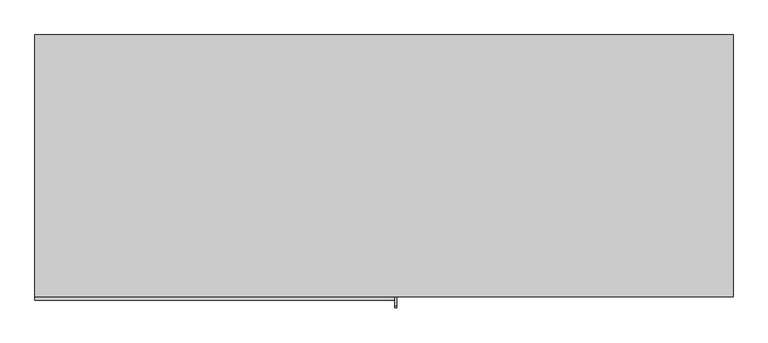
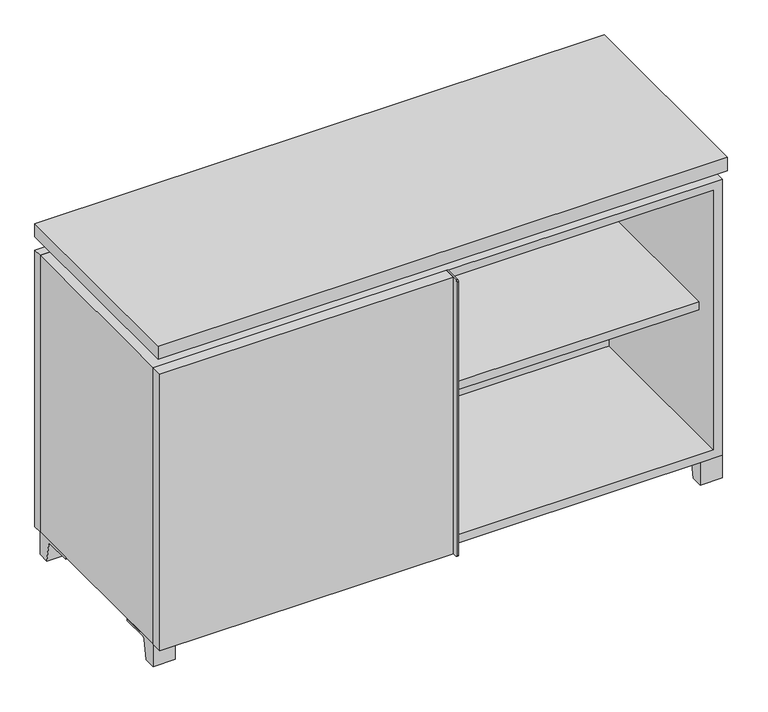
"""IFC4 building model written with IfcOpenShell, lengths in millimetres: furniture geometry."""

from ifc_helpers import new_model, si_unit, point, frame, frame_2d, origin, place, context, project, spatial, polyline, circle_curve, trimmed, segment, composite_curve, outline, extrude, faceted_brep, source, transform, mapped, element, save


def furniture_d1c3057b(model_context):
    return source(origin(), model_context, "Body", "SolidModel", [
        extrude(outline(polyline([(9.5319453, 241.3), (590.5569453, 241.3), (590.5569453, -92.075), (9.5319453, -92.075), (9.5319453, 241.3)])), frame((0.0, 0.0, 354.0125), z_axis=(0.0, 0.0, 1.0), x_axis=(1.0, 0.0, 0.0)), (0.0, 0.0, 1.0), 19.05),
        extrude(outline(polyline([(-9.5041641, 241.3), (-9.5041641, -92.075), (-590.5291641, -92.075), (-590.5291641, 241.3), (-9.5041641, 241.3)])), frame((0.0, 0.0, 354.0125), z_axis=(0.0, 0.0, 1.0), x_axis=(1.0, 0.0, 0.0)), (0.0, 0.0, 1.0), 19.05),
        extrude(outline(polyline([(609.6138906, 292.1), (609.6138906, -165.1), (-609.5861094, -165.1), (-609.5861094, 292.1), (609.6138906, 292.1)])), frame((0.0, 0.0, 706.4375), z_axis=(0.0, 0.0, 1.0), x_axis=(1.0, 0.0, 0.0)), (0.0, 0.0, 1.0), 30.1625),
        extrude(outline(composite_curve([segment(polyline([(-146.05, 676.275), (-146.05, 50.8), (-180.975, 50.8)]), True, "CONTINUOUS"), segment(trimmed(circle_curve(frame_2d((-180.975, 53.975)), 3.175), [point((-180.975, 50.8))], [point((-184.15, 53.975))], False, "CARTESIAN"), True, "CONTINUOUS"), segment(polyline([(-184.15, 53.975), (-184.15, 673.1)]), True, "CONTINUOUS"), segment(trimmed(circle_curve(frame_2d((-180.975, 673.1)), 3.175), [point((-184.15, 673.1))], [point((-180.975, 676.275))], False, "CARTESIAN"), True, "CONTINUOUS"), segment(polyline([(-180.975, 676.275), (-146.05, 676.275)]), True, "CONTINUOUS")], self_intersect=False)), frame((19.0638906, 0.0, 0.0), z_axis=(1.0, 0.0, 0.0), x_axis=(0.0, 1.0, 0.0)), (0.0, 0.0, 1.0), 3.175),
        extrude(outline(polyline([(-609.5861094, -146.05), (19.0638906, -146.05), (19.0638906, -171.45), (-609.5861094, -171.45), (-609.5861094, -146.05)])), frame((0.0, 0.0, 50.8), z_axis=(0.0, 0.0, 1.0), x_axis=(1.0, 0.0, 0.0)), (0.0, 0.0, 1.0), 625.475),
        extrude(outline(composite_curve([segment(polyline([(-120.6500136, 0.0), (-146.05, 0.0), (-146.05, 50.8), (-50.8, 50.8), (-50.8, 46.0213321), (-107.6005345, 46.0213321)]), True, "CONTINUOUS"), segment(trimmed(circle_curve(frame_2d((-107.6005345, 39.6713321)), 6.35), [point((-107.6005345, 46.0213321))], [point((-113.8641359, 40.7152656))], True, "CARTESIAN"), True, "CONTINUOUS"), segment(polyline([(-113.8641359, 40.7152656), (-120.6500136, 0.0)]), True, "CONTINUOUS")], self_intersect=False)), frame((561.9888906, 0.0, 0.0), z_axis=(1.0, 0.0, 0.0), x_axis=(0.0, 1.0, 0.0)), (0.0, 0.0, 1.0), 47.625),
        extrude(outline(composite_curve([segment(polyline([(247.6500136, 0.0), (240.8641359, 40.7152656)]), True, "CONTINUOUS"), segment(trimmed(circle_curve(frame_2d((234.6005345, 39.6713321)), 6.35), [point((240.8641359, 40.7152656))], [point((234.6005345, 46.0213321))], True, "CARTESIAN"), True, "CONTINUOUS"), segment(polyline([(234.6005345, 46.0213321), (177.8, 46.0213321), (177.8, 50.8), (273.05, 50.8), (273.05, 0.0), (247.6500136, 0.0)]), True, "CONTINUOUS")], self_intersect=False)), frame((561.9888906, 0.0, 0.0), z_axis=(1.0, 0.0, 0.0), x_axis=(0.0, 1.0, 0.0)), (0.0, 0.0, 1.0), 47.625),
        extrude(outline(composite_curve([segment(polyline([(-120.6500136, 0.0), (-146.05, 0.0), (-146.05, 50.8), (-50.8, 50.8), (-50.8, 46.0213321), (-107.6005345, 46.0213321)]), True, "CONTINUOUS"), segment(trimmed(circle_curve(frame_2d((-107.6005345, 39.6713321)), 6.35), [point((-107.6005345, 46.0213321))], [point((-113.8641359, 40.7152656))], True, "CARTESIAN"), True, "CONTINUOUS"), segment(polyline([(-113.8641359, 40.7152656), (-120.6500136, 0.0)]), True, "CONTINUOUS")], self_intersect=False)), frame((-609.5861094, 0.0, 0.0), z_axis=(1.0, 0.0, 0.0), x_axis=(0.0, 1.0, 0.0)), (0.0, 0.0, 1.0), 47.625),
        extrude(outline(composite_curve([segment(polyline([(247.6500136, 0.0), (240.8641359, 40.7152656)]), True, "CONTINUOUS"), segment(trimmed(circle_curve(frame_2d((234.6005345, 39.6713321)), 6.35), [point((240.8641359, 40.7152656))], [point((234.6005345, 46.0213321))], True, "CARTESIAN"), True, "CONTINUOUS"), segment(polyline([(234.6005345, 46.0213321), (177.8, 46.0213321), (177.8, 50.8), (273.05, 50.8), (273.05, 0.0), (247.6500136, 0.0)]), True, "CONTINUOUS")], self_intersect=False)), frame((-609.5861094, 0.0, 0.0), z_axis=(1.0, 0.0, 0.0), x_axis=(0.0, 1.0, 0.0)), (0.0, 0.0, 1.0), 47.625),
        faceted_brep([(7.9513906, -120.65, 706.4375), (7.9513906, -120.65, 676.275), (7.9513906, 53.975, 676.275), (7.9513906, 53.975, 706.4375), (7.9513906, 247.65, 676.275), (7.9513906, 247.65, 706.4375), (7.9513906, 73.025, 706.4375), (7.9513906, 73.025, 676.275), (-7.9236094, 247.65, 706.4375), (-7.9236094, 247.65, 676.275), (-7.9236094, 73.025, 676.275), (-7.9236094, 73.025, 706.4375), (-7.9236094, -120.65, 676.275), (-7.9236094, -120.65, 706.4375), (-7.9236094, 53.975, 706.4375), (-7.9236094, 53.975, 676.275), (-568.2833281, 73.025, 706.4375), (-568.3041641, 247.65, 706.4375), (-584.1791641, 247.65, 706.4375), (-584.1791641, -120.65, 706.4375), (-568.3041641, -120.65, 706.4375), (-568.3041641, 53.975, 706.4375), (568.3111094, 53.975, 706.4375), (568.3111094, -120.65, 706.4375), (584.1861094, -120.65, 706.4375), (584.1861094, 247.65, 706.4375), (568.3111094, 247.65, 706.4375), (568.3111094, 73.025, 706.4375), (-568.2833281, 53.975, 676.275), (-568.3041641, -120.65, 676.275), (-584.1791641, -120.65, 676.275), (-584.1791641, 247.65, 676.275), (-568.3041641, 247.65, 676.275), (-568.3041641, 73.025, 676.275), (568.3111094, 73.025, 676.275), (568.3111094, 247.65, 676.275), (584.1861094, 247.65, 676.275), (584.1861094, -120.65, 676.275), (568.3111094, -120.65, 676.275), (568.3111094, 53.975, 676.275)], [[[0, 1, 2, 3]], [[4, 5, 6, 7]], [[8, 9, 10, 11]], [[12, 13, 14, 15]], [[5, 8, 11, 16, 17, 18, 19, 20, 21, 14, 13, 0, 3, 22, 23, 24, 25, 26, 27, 6]], [[1, 12, 15, 28, 29, 30, 31, 32, 33, 10, 9, 4, 7, 34, 35, 36, 37, 38, 39, 2]], [[5, 4, 9, 8]], [[1, 0, 13, 12]], [[6, 27, 34, 7]], [[22, 3, 2, 39]], [[20, 29, 28, 21]], [[32, 17, 16, 33]], [[18, 31, 30, 19]], [[29, 20, 19, 30]], [[17, 32, 31, 18]], [[26, 35, 34, 27]], [[38, 23, 22, 39]], [[25, 24, 37, 36]], [[23, 38, 37, 24]], [[35, 26, 25, 36]], [[16, 11, 10, 33]], [[14, 21, 28, 15]]]),
        extrude(outline(polyline([(9.5388906, 241.3), (9.5388906, -95.25), (-9.5111094, -95.25), (-9.5111094, 241.3), (9.5388906, 241.3)])), frame((0.0, 0.0, 69.85), z_axis=(0.0, 0.0, 1.0), x_axis=(1.0, 0.0, 0.0)), (0.0, 0.0, 1.0), 587.375),
        extrude(outline(polyline([(15.8888906, -88.9), (15.8888906, -146.05), (-9.5111094, -146.05), (-9.5111094, -120.65), (3.1888906, -120.65), (3.1888906, -88.9), (15.8888906, -88.9)])), frame((0.0, 0.0, 69.85), z_axis=(0.0, 0.0, 1.0), x_axis=(1.0, 0.0, 0.0)), (0.0, 0.0, 1.0), 587.375),
        extrude(outline(polyline([(609.6138906, 273.05), (-609.5861094, 273.05), (-609.5861094, 292.1), (609.6138906, 292.1), (609.6138906, 273.05)])), frame((0.0, 0.0, 50.8), z_axis=(0.0, 0.0, 1.0), x_axis=(1.0, 0.0, 0.0)), (0.0, 0.0, 1.0), 625.475),
        extrude(outline(polyline([(50.8, -609.5861094), (50.8, 609.6), (676.275, 609.6), (676.275, -609.5861094), (50.8, -609.5861094)]), holes=[polyline([(69.85, -590.5361094), (657.225, -590.5361094), (657.225, 590.5361094), (69.85, 590.5361094), (69.85, -590.5361094)])]), frame((0.0, -146.05, 0.0), z_axis=(0.0, 1.0, 0.0), x_axis=(0.0, 0.0, 1.0)), (0.0, 0.0, 1.0), 419.1),
        extrude(outline(polyline([(-590.5291641, 241.3), (-590.5291641, 247.65), (590.5569453, 247.65), (590.5569453, 241.3), (-590.5291641, 241.3)])), frame((0.0, 0.0, 69.85), z_axis=(0.0, 0.0, 1.0), x_axis=(1.0, 0.0, 0.0)), (0.0, 0.0, 1.0), 587.375),
    ])


if __name__ == "__main__":
    model = new_model("IFC4")
    model_context = context("Model", 3, world=origin())
    ifc_project = project(units=[si_unit("LENGTHUNIT", "METRE", prefix="MILLI")], contexts=[model_context])
    site = spatial("IfcSite", under=ifc_project)
    building = spatial("IfcBuilding", under=site)
    placement = place(None, origin())
    furniture_shape = furniture_d1c3057b(model_context)
    element("IfcFurniture", 1, at=placement, inside=building, context=model_context, shape_type="MappedRepresentation", body=[
        mapped(furniture_shape, transform((0.0, 0.0, 0.0), x_axis=(1.0, 0.0, 0.0), y_axis=(0.0, 1.0, 0.0), z_axis=(0.0, 0.0, 1.0))),
    ])
    save(model, "model.ifc")
